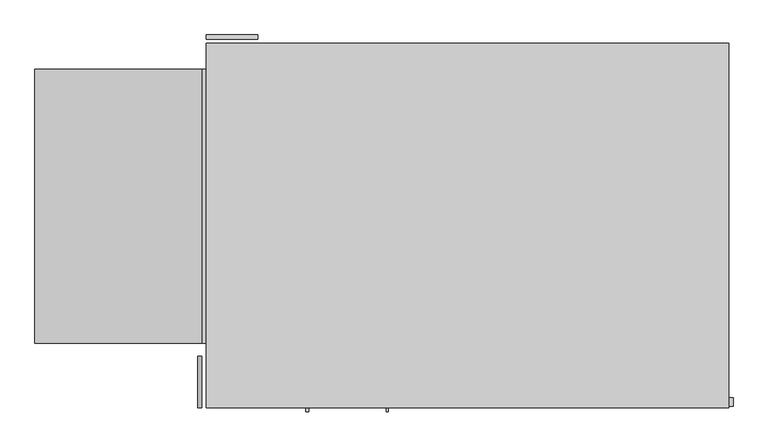
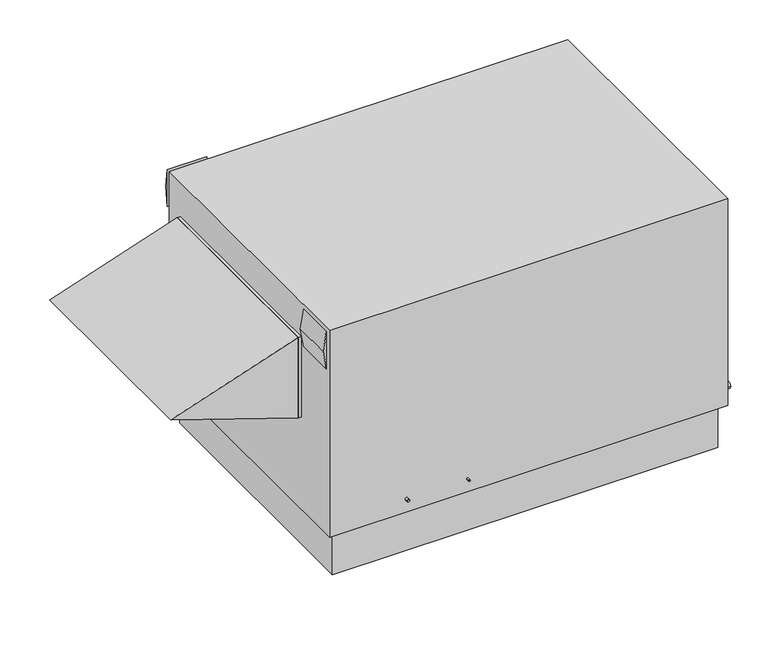
"""IFC4 building model written with IfcOpenShell, lengths in millimetres: proxy geometry."""

from ifc_helpers import new_model, si_unit, frame, origin, place, context, project, spatial, polyline, circle_curve, outline, extrude, source, transform, mapped, element, save
from ifc_brep_helpers import plane_surface, cylinder_surface, advanced_brep


def mechanical_equipment_d5792300(model_context):
    return source(origin(), model_context, "Body", "SolidModel", [
        extrude(outline(polyline([(762.0, -3124.2), (1422.4, -3124.2), (1092.2, -4114.8), (762.0, -3124.2)])), frame((0.0, 381.0, 0.0), z_axis=(0.0, 1.0, 0.0), x_axis=(0.0, 0.0, 1.0)), (0.0, 0.0, 1.0), 1625.6),
        extrude(outline(polyline([(-3124.2, 381.0), (-3124.2, 2006.6), (-3098.8, 2006.6), (-3098.8, 381.0), (-3124.2, 381.0)])), frame((0.0, 0.0, 762.0), z_axis=(0.0, 0.0, 1.0), x_axis=(1.0, 0.0, 0.0)), (0.0, 0.0, 1.0), 660.4),
        extrude(outline(polyline([(1397.0, -3124.2), (1701.8, -3124.2), (1549.4, -3149.6), (1397.0, -3124.2)])), frame((0.0, 0.0, 0.0), z_axis=(0.0, 1.0, 0.0), x_axis=(0.0, 0.0, 1.0)), (0.0, 0.0, 1.0), 304.8),
        extrude(outline(polyline([(2184.4, 1397.0), (2184.4, 1701.8), (2209.8, 1549.4), (2184.4, 1397.0)])), frame((-3098.8, 0.0, 0.0), z_axis=(1.0, 0.0, 0.0), x_axis=(0.0, 1.0, 0.0)), (0.0, 0.0, 1.0), 304.8),
        extrude(outline(polyline([(-50.8, 2108.2), (-50.8, 50.8), (-3048.0, 50.8), (-3048.0, 2108.2), (-50.8, 2108.2)])), frame((0.0, 0.0, -355.6), z_axis=(0.0, 0.0, 1.0), x_axis=(1.0, 0.0, 0.0)), (0.0, 0.0, 1.0), 355.6),
        advanced_brep(
        [(0.0, 2159.0, 1701.8), (-3098.8, 2159.0, 1701.8), (-3098.8, 0.0, 1701.8), (0.0, 0.0, 1701.8), (0.0, 2159.0, 0.0), (0.0, 0.0, 0.0), (-3098.8, 0.0, 0.0), (-3098.8, 2159.0, 0.0), (-2438.4, 2057.4, 0.0), (-2997.2, 2057.4, 0.0), (-2997.2, 76.2, 0.0), (-2438.4, 76.2, 0.0), (-1041.4, 2057.4, 0.0), (-1752.6, 2057.4, 0.0), (-1752.6, 279.4, 0.0), (-1041.4, 279.4, 0.0), (-2019.3, 0.0, 107.95), (-2032.0, 0.0, 107.95), (-2490.7875, 0.0, 107.95), (-2509.8375, 0.0, 107.95), (0.0, 58.7375, 142.875), (0.0, 7.9375, 142.875), (-2438.4, 2057.4, 107.95), (-2438.4, 76.2, 107.95), (-2997.2, 76.2, 107.95), (-2997.2, 2057.4, 107.95), (-1041.4, 2057.4, 107.95), (-1041.4, 279.4, 107.95), (-1752.6, 279.4, 107.95), (-1752.6, 2057.4, 107.95), (-2032.0, -25.5724411, 107.95), (-2019.3, -25.5724411, 107.95), (25.4, 7.9375, 142.875), (25.4, 58.7375, 142.875), (-2509.8375, -25.5724411, 107.95), (-2490.7875, -25.5724411, 107.95)],
        [
            (0, 1),
            (1, 2),
            (2, 3),
            (3, 0),
            (4, 5),
            (5, 6),
            (6, 7),
            (7, 4),
            (8, 9),
            (9, 10),
            (10, 11),
            (11, 8),
            (12, 13),
            (13, 14),
            (14, 15),
            (15, 12),
            (0, 4),
            (7, 1),
            (6, 2),
            (5, 3),
            (16, 17, circle_curve(frame((-2025.65, 0.0, 107.95), z_axis=(0.0, 1.0, 0.0), x_axis=(1.0, 0.0, 0.0)), 6.35)),
            (17, 16, circle_curve(frame((-2025.65, 0.0, 107.95), z_axis=(0.0, 1.0, 0.0), x_axis=(1.0, 0.0, 0.0)), 6.35)),
            (18, 19, circle_curve(frame((-2500.3125, 0.0, 107.95), z_axis=(0.0, 1.0, 0.0), x_axis=(1.0, 0.0, 0.0)), 9.525)),
            (19, 18, circle_curve(frame((-2500.3125, 0.0, 107.95), z_axis=(0.0, 1.0, 0.0), x_axis=(1.0, 0.0, 0.0)), 9.525)),
            (20, 21, circle_curve(frame((0.0, 33.3375, 142.875), z_axis=(-1.0, 0.0, 0.0), x_axis=(0.0, 1.0, 0.0)), 25.4)),
            (21, 20, circle_curve(frame((0.0, 33.3375, 142.875), z_axis=(-1.0, 0.0, 0.0), x_axis=(0.0, 1.0, 0.0)), 25.4)),
            (22, 23),
            (23, 24),
            (24, 25),
            (25, 22),
            (26, 27),
            (27, 28),
            (28, 29),
            (29, 26),
            (25, 9),
            (8, 22),
            (24, 10),
            (23, 11),
            (29, 13),
            (12, 26),
            (28, 14),
            (27, 15),
            (30, 31, circle_curve(frame((-2025.65, -25.5724411, 107.95), z_axis=(0.0, -1.0, 0.0), x_axis=(1.0, 0.0, 0.0)), 6.35)),
            (31, 30, circle_curve(frame((-2025.65, -25.5724411, 107.95), z_axis=(0.0, -1.0, 0.0), x_axis=(1.0, 0.0, 0.0)), 6.35)),
            (30, 17),
            (16, 31),
            (32, 33, circle_curve(frame((25.4, 33.3375, 142.875), z_axis=(1.0, 0.0, 0.0), x_axis=(0.0, 1.0, 0.0)), 25.4)),
            (33, 32, circle_curve(frame((25.4, 33.3375, 142.875), z_axis=(1.0, 0.0, 0.0), x_axis=(0.0, 1.0, 0.0)), 25.4)),
            (32, 21),
            (20, 33),
            (34, 35, circle_curve(frame((-2500.3125, -25.5724411, 107.95), z_axis=(0.0, -1.0, 0.0), x_axis=(1.0, 0.0, 0.0)), 9.525)),
            (35, 34, circle_curve(frame((-2500.3125, -25.5724411, 107.95), z_axis=(0.0, -1.0, 0.0), x_axis=(1.0, 0.0, 0.0)), 9.525)),
            (34, 19),
            (18, 35),
        ],
        [
            plane_surface(frame((-3098.8, 2159.0, 1701.8), z_axis=(0.0, 0.0, 1.0), x_axis=(-1.0, 0.0, 0.0))),
            plane_surface(frame((-3098.8, 2159.0, 0.0), z_axis=(0.0, 0.0, -1.0), x_axis=(1.0, 0.0, 0.0))),
            plane_surface(frame((0.0, 2159.0, 1701.8), z_axis=(0.0, 1.0, 0.0), x_axis=(0.0, 0.0, -1.0))),
            plane_surface(frame((-3098.8, 2159.0, 1701.8), z_axis=(-1.0, 0.0, 0.0), x_axis=(0.0, 0.0, -1.0))),
            plane_surface(frame((-3098.8, 0.0, 1701.8), z_axis=(0.0, -1.0, 0.0), x_axis=(0.0, 0.0, -1.0))),
            plane_surface(frame((0.0, 0.0, 1701.8), z_axis=(1.0, 0.0, 0.0), x_axis=(0.0, 0.0, -1.0))),
            plane_surface(frame((-2997.2, 2057.4, 107.95), z_axis=(0.0, 0.0, -1.0), x_axis=(-1.0, 0.0, 0.0))),
            plane_surface(frame((-2438.4, 2057.4, 107.95), z_axis=(0.0, -1.0, 0.0), x_axis=(0.0, 0.0, -1.0))),
            plane_surface(frame((-2997.2, 2057.4, 107.95), z_axis=(1.0, 0.0, 0.0), x_axis=(0.0, 0.0, -1.0))),
            plane_surface(frame((-2997.2, 76.2, 107.95), z_axis=(0.0, 1.0, 0.0), x_axis=(0.0, 0.0, -1.0))),
            plane_surface(frame((-2438.4, 76.2, 107.95), z_axis=(-1.0, 0.0, 0.0), x_axis=(0.0, 0.0, -1.0))),
            plane_surface(frame((-1041.4, 2057.4, 107.95), z_axis=(0.0, -1.0, 0.0), x_axis=(0.0, 0.0, -1.0))),
            plane_surface(frame((-1752.6, 2057.4, 107.95), z_axis=(1.0, 0.0, 0.0), x_axis=(0.0, 0.0, -1.0))),
            plane_surface(frame((-1752.6, 279.4, 107.95), z_axis=(0.0, 1.0, 0.0), x_axis=(0.0, 0.0, -1.0))),
            plane_surface(frame((-1041.4, 279.4, 107.95), z_axis=(-1.0, 0.0, 0.0), x_axis=(0.0, 0.0, -1.0))),
            plane_surface(frame((-2019.3, -25.5724411, 107.95), z_axis=(0.0, -1.0, 0.0), x_axis=(0.0, 0.0, 1.0))),
            cylinder_surface(frame((-2025.65, 0.0, 107.95), z_axis=(0.0, -1.0, 0.0), x_axis=(1.0, 0.0, 0.0)), 6.35),
            plane_surface(frame((25.4, 58.7375, 142.875), z_axis=(1.0, 0.0, 0.0), x_axis=(0.0, 0.0, 1.0))),
            cylinder_surface(frame((0.0, 33.3375, 142.875), z_axis=(1.0, 0.0, 0.0), x_axis=(0.0, 1.0, 0.0)), 25.4),
            plane_surface(frame((-2490.7875, -25.5724411, 107.95), z_axis=(0.0, -1.0, 0.0), x_axis=(0.0, 0.0, 1.0))),
            cylinder_surface(frame((-2500.3125, 0.0, 107.95), z_axis=(0.0, -1.0, 0.0), x_axis=(1.0, 0.0, 0.0)), 9.525),
        ],
        [
            (0, [[1, 2, 3, 4]]),
            (1, [[5, 6, 7, 8], [9, 10, 11, 12], [13, 14, 15, 16]]),
            (2, [[-1, 17, -8, 18]]),
            (3, [[-2, -18, -7, 19]]),
            (4, [[-3, -19, -6, 20], [21, 22], [23, 24]]),
            (5, [[-4, -20, -5, -17], [25, 26]]),
            (6, [[27, 28, 29, 30]]),
            (6, [[31, 32, 33, 34]]),
            (7, [[-30, 35, -9, 36]]),
            (8, [[-29, 37, -10, -35]]),
            (9, [[-28, 38, -11, -37]]),
            (10, [[-27, -36, -12, -38]]),
            (11, [[-34, 39, -13, 40]]),
            (12, [[-33, 41, -14, -39]]),
            (13, [[-32, 42, -15, -41]]),
            (14, [[-31, -40, -16, -42]]),
            (15, [[43, 44]]),
            (16, [[-43, 45, -21, 46]]),
            (16, [[-44, -46, -22, -45]]),
            (17, [[47, 48]]),
            (18, [[-47, 49, -25, 50]]),
            (18, [[-48, -50, -26, -49]]),
            (19, [[51, 52]]),
            (20, [[-51, 53, -23, 54]]),
            (20, [[-52, -54, -24, -53]]),
        ],
    ),
    ])


if __name__ == "__main__":
    model = new_model("IFC4")
    model_context = context("Model", 3, world=origin())
    ifc_project = project(units=[si_unit("LENGTHUNIT", "METRE", prefix="MILLI")], contexts=[model_context])
    site = spatial("IfcSite", under=ifc_project)
    building = spatial("IfcBuilding", under=site)
    placement = place(None, origin())
    mechanical_equipment_shape = mechanical_equipment_d5792300(model_context)
    element("IfcBuildingElementProxy", 1, Name="Mechanical Equipment", at=placement, inside=building, context=model_context, shape_type="MappedRepresentation", body=[
        mapped(mechanical_equipment_shape, transform((0.0, 0.0, 0.0), x_axis=(1.0, 0.0, 0.0), y_axis=(0.0, 1.0, 0.0), z_axis=(0.0, 0.0, 1.0))),
    ])
    save(model, "model.ifc")
